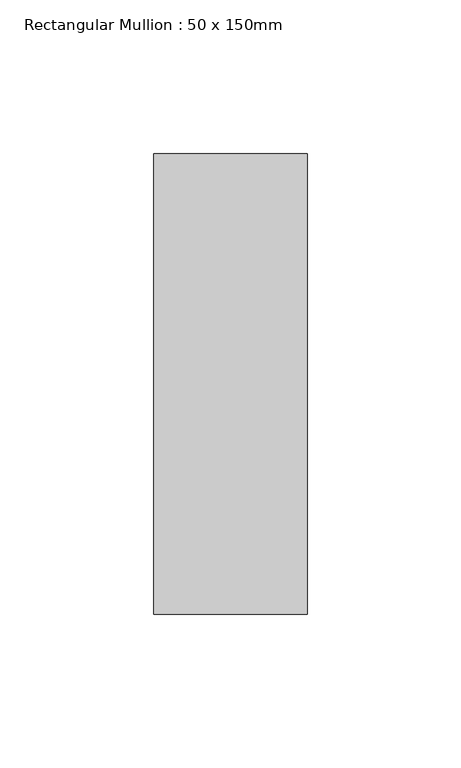
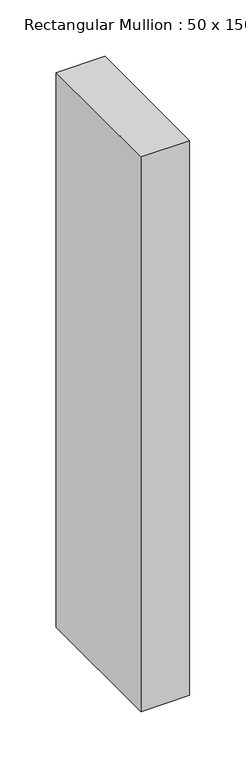
"""IFC4 building model written with IfcOpenShell, lengths in millimetres: member geometry, Rectangular Mullion : 50 x 150mm."""

import ifcopenshell
import ifcopenshell.guid

model = None  # the IFC model being written
_history = None  # IfcOwnerHistory: only IFC2X3 demands one
_inside = {}  # id of a spatial element -> (the spatial element, [elements in it])
_under = {}  # id of a project, library or spatial element -> (it, [spatial elements below it])
_declared = {}  # id of a project -> (the project, [libraries it declares])
_typed = {}  # id of a type object -> (the type object, [elements of that type])
_made_of = {}  # id of a material, layer set ... -> (it, [elements and type objects made of it])


def new_model(schema):
    """Start an empty IFC model of exactly this schema.

    Asked for "IFC4X3", IfcOpenShell would pick the latest addendum, in which some entities
    have other attributes; the version numbers below select the first issue.
    IFC2X3 requires an IfcOwnerHistory on every rooted entity: one is made here for all.
    """
    global model, _history
    if schema == "IFC4X3":
        model = ifcopenshell.file(schema_version=(4, 3, 0, 0))
    else:
        model = ifcopenshell.file(schema=schema)
    _inside.clear()
    _under.clear()
    _declared.clear()
    _typed.clear()
    _made_of.clear()
    _history = None
    if model.schema == "IFC2X3":
        org = make("IfcOrganization", Name="unknown")
        user = make(
            "IfcPersonAndOrganization",
            ThePerson=make("IfcPerson", FamilyName="unknown"),
            TheOrganization=org,
        )
        app = make(
            "IfcApplication",
            ApplicationDeveloper=org,
            Version="unknown",
            ApplicationFullName="unknown",
            ApplicationIdentifier="unknown",
        )
        _history = make(
            "IfcOwnerHistory",
            OwningUser=user,
            OwningApplication=app,
            ChangeAction="ADDED",
            CreationDate=0,
        )
    return model


def make(cls, **values):
    """One entity of the class cls with the attributes given. An attribute that is None is left unset."""
    return model.create_entity(
        cls, **{name: value for name, value in values.items() if value is not None}
    )


def rooted(cls, **values):
    """An entity with a GlobalId (a new one), such as an element, a storey or a relation."""
    return make(cls, GlobalId=ifcopenshell.guid.new(), OwnerHistory=_history, **values)


def si_unit(unit_type, name, prefix=None):
    """IfcSIUnit, for example si_unit("LENGTHUNIT", "METRE", prefix="MILLI")."""
    return make("IfcSIUnit", UnitType=unit_type, Prefix=prefix, Name=name)


def assignment(units):
    """IfcUnitAssignment: the units of a project."""
    return None if units is None else make("IfcUnitAssignment", Units=units)


def point(xyz):
    """IfcCartesianPoint."""
    return None if xyz is None else make("IfcCartesianPoint", Coordinates=xyz)


def direction(xyz):
    """IfcDirection."""
    return None if xyz is None else make("IfcDirection", DirectionRatios=xyz)


def frame(location, z_axis=None, x_axis=None):
    """IfcAxis2Placement3D, a coordinate frame: its origin and axes. An axis left out is left unset."""
    return make(
        "IfcAxis2Placement3D",
        Location=point(location),
        Axis=direction(z_axis),
        RefDirection=direction(x_axis),
    )


def origin():
    """The frame at (0, 0, 0) with its axes left unset."""
    return frame((0.0, 0.0, 0.0))


def place(relative_to, where):
    """IfcLocalPlacement: puts the frame where relative to a parent placement (None: the world)."""
    return make(
        "IfcLocalPlacement", PlacementRelTo=relative_to, RelativePlacement=where
    )


def context(
    kind, dimensions, precision=None, world=None, true_north=None, identifier=None
):
    """IfcGeometricRepresentationContext, for example the 3D "Model" context."""
    return make(
        "IfcGeometricRepresentationContext",
        ContextIdentifier=identifier,
        ContextType=kind,
        CoordinateSpaceDimension=dimensions,
        Precision=precision,
        WorldCoordinateSystem=world,
        TrueNorth=true_north,
    )


def project(units=None, contexts=None):
    """IfcProject with its units and contexts."""
    return rooted(
        "IfcProject",
        Name="project",
        RepresentationContexts=contexts,
        UnitsInContext=assignment(units),
    )


def spatial(cls, under=None, at=None, **own):
    """A site, building, storey or space (cls), placed at a placement, below another one or the project."""
    s = rooted(cls, ObjectPlacement=at, **own)
    if under is not None:
        _under.setdefault(under.id(), (under, []))[1].append(s)
    return s


def polyline(points):
    """IfcPolyline through the points."""
    return make("IfcPolyline", Points=[point(p) for p in points])


def outline(outer, holes=None, kind="AREA"):
    """IfcArbitraryClosedProfileDef: a profile drawn as a closed curve; with holes, ...WithVoids."""
    if holes is None:
        return make("IfcArbitraryClosedProfileDef", ProfileType=kind, OuterCurve=outer)
    return make(
        "IfcArbitraryProfileDefWithVoids",
        ProfileType=kind,
        OuterCurve=outer,
        InnerCurves=holes,
    )


def extrude(swept, where, along, depth):
    """IfcExtrudedAreaSolid: the profile swept, set in the frame where, extruded along a direction by depth."""
    return make(
        "IfcExtrudedAreaSolid",
        SweptArea=swept,
        Position=where,
        ExtrudedDirection=direction(along),
        Depth=depth,
    )


def shape(context_of_items, identifier, shape_type, items):
    """IfcShapeRepresentation: the items that make up one representation, for example the "Body"."""
    return make(
        "IfcShapeRepresentation",
        ContextOfItems=context_of_items,
        RepresentationIdentifier=identifier,
        RepresentationType=shape_type,
        Items=items,
    )


def source(mapping_origin, context_of_items, identifier, shape_type, items):
    """IfcRepresentationMap: a shape defined once, which mapped items show again and again."""
    return make(
        "IfcRepresentationMap",
        MappingOrigin=mapping_origin,
        MappedRepresentation=shape(context_of_items, identifier, shape_type, items),
    )


def transform(
    local_origin,
    x_axis=None,
    y_axis=None,
    z_axis=None,
    scale=None,
    scale2=None,
    scale3=None,
    uniform=True,
):
    """IfcCartesianTransformationOperator3D, or its non-uniform kind. x_axis, y_axis, z_axis: its Axis1, 2, 3."""
    if uniform:
        return make(
            "IfcCartesianTransformationOperator3D",
            Axis1=direction(x_axis),
            Axis2=direction(y_axis),
            LocalOrigin=point(local_origin),
            Scale=scale,
            Axis3=direction(z_axis),
        )
    return make(
        "IfcCartesianTransformationOperator3DnonUniform",
        Axis1=direction(x_axis),
        Axis2=direction(y_axis),
        LocalOrigin=point(local_origin),
        Scale=scale,
        Axis3=direction(z_axis),
        Scale2=scale2,
        Scale3=scale3,
    )


def mapped(mapping_source, mapping_target):
    """IfcMappedItem: shows the shape of a source again, moved by a transform."""
    return make(
        "IfcMappedItem", MappingSource=mapping_source, MappingTarget=mapping_target
    )


def made_of(thing, what):
    """Note that an element or type object is made of a material, layer set ...; save() writes the relation."""
    if what is not None:
        _made_of.setdefault(what.id(), (what, []))[1].append(thing)
    return thing


def element(
    cls,
    number,
    at=None,
    inside=None,
    cuts=None,
    type_object=None,
    material=None,
    context=None,
    identifier="Body",
    shape_type=None,
    held_by="IfcProductDefinitionShape",
    body=None,
    shapes=None,
    **own,
):
    """One element of the class cls, such as IfcWall. Its Tag is "e" and its number.

    at: its placement. inside: the storey or other place that contains it. cuts: it is an
    opening in that element (IfcRelVoidsElement). A single representation is given by context,
    identifier, shape_type and body (its items); several are given by shapes. held_by: the class
    of the entity that holds the representations. save() writes the other relations.
    """
    e = rooted(cls, Tag="e%d" % number, ObjectPlacement=at, **own)
    if body is not None:
        shapes = [shape(context, identifier, shape_type, body)]
    if shapes is not None:
        e.Representation = make(held_by, Representations=shapes)
    if inside is not None:
        _inside.setdefault(inside.id(), (inside, []))[1].append(e)
    if cuts is not None:
        rooted(
            "IfcRelVoidsElement", RelatingBuildingElement=cuts, RelatedOpeningElement=e
        )
    if type_object is not None:
        _typed.setdefault(type_object.id(), (type_object, []))[1].append(e)
    return made_of(e, material)


def aggregate(whole, parts):
    """IfcRelAggregates: a whole, such as a stair, and the parts it consists of."""
    return rooted("IfcRelAggregates", RelatingObject=whole, RelatedObjects=parts)


def save(model, path):
    """Write the relations noted so far, then the file.

    IfcRelAggregates (storeys below a building ...), IfcRelContainedInSpatialStructure (elements
    in a storey), IfcRelDefinesByType, IfcRelAssociatesMaterial and IfcRelDeclares: one each for
    every whole, place, type object, material and project.
    """
    for whole, parts in _under.values():
        aggregate(whole, parts)
    for where, things in _inside.values():
        rooted(
            "IfcRelContainedInSpatialStructure",
            RelatedElements=things,
            RelatingStructure=where,
        )
    for kind, things in _typed.values():
        rooted("IfcRelDefinesByType", RelatedObjects=things, RelatingType=kind)
    for what, things in _made_of.values():
        rooted("IfcRelAssociatesMaterial", RelatedObjects=things, RelatingMaterial=what)
    for by, libraries in _declared.values():
        rooted("IfcRelDeclares", RelatingContext=by, RelatedDefinitions=libraries)
    model.write(path)


def rectangular_mullion_50_x_150mm_68b3818a(model_context):
    return source(origin(), model_context, "Body", "SweptSolid", [
        extrude(outline(polyline([(25.0, 75.0), (25.0, -75.0), (-25.0, -75.0), (-25.0, 75.0), (25.0, 75.0)])), frame((0.0, 0.0, -600.0), z_axis=(0.0, 0.0, 1.0), x_axis=(1.0, 0.0, 0.0)), (0.0, 0.0, 1.0), 600.0),
    ])


if __name__ == "__main__":
    model = new_model("IFC4")
    model_context = context("Model", 3, world=origin())
    ifc_project = project(units=[si_unit("LENGTHUNIT", "METRE", prefix="MILLI")], contexts=[model_context])
    site = spatial("IfcSite", under=ifc_project)
    building = spatial("IfcBuilding", under=site)
    placement = place(None, origin())
    rectangular_mullion_50_x_150mm_shape = rectangular_mullion_50_x_150mm_68b3818a(model_context)
    element("IfcMember", 1, ObjectType="Rectangular Mullion : 50 x 150mm", at=placement, inside=building, context=model_context, shape_type="MappedRepresentation", body=[
        mapped(rectangular_mullion_50_x_150mm_shape, transform((0.0, 0.0, 0.0), x_axis=(1.0, 0.0, 0.0), y_axis=(0.0, 1.0, 0.0), z_axis=(0.0, 0.0, 1.0))),
    ])
    save(model, "model.ifc")
